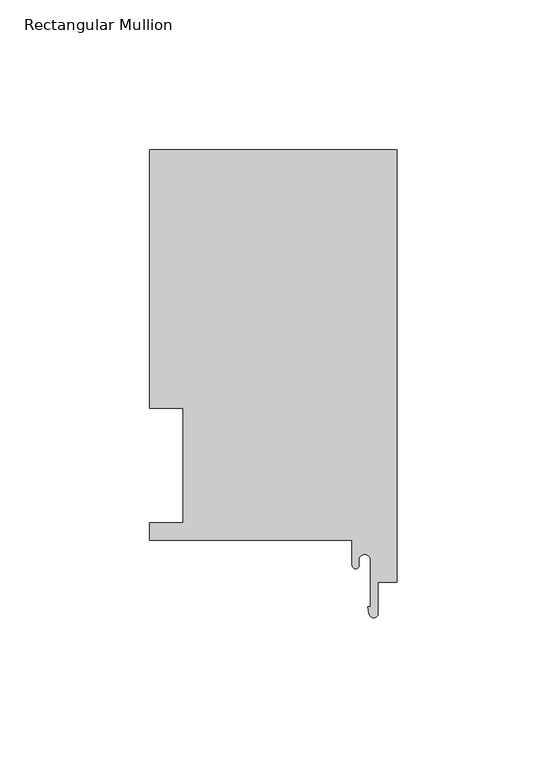
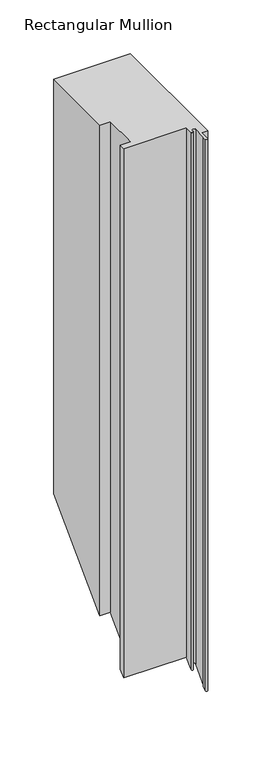
"""IFC4 building model written with IfcOpenShell, lengths in millimetres: member geometry, Rectangular Mullion."""

from ifc_helpers import new_model, si_unit, frame, origin, place, context, project, spatial, polyline, circle_curve, ellipse_curve, source, transform, mapped, element, save
from ifc_brep_helpers import plane_surface, cylinder_surface, revolved_surface, advanced_brep


def rectangular_mullion_ddf6fd87(model_context):
    return source(origin(), model_context, "Body", "AdvancedBrep", [
        advanced_brep(
        [(-82.55, 130.6322, 0.0), (-82.55, 44.45, 0.0), (-71.4450019, 44.45, 0.0), (-71.4450019, 6.35, 0.0), (-82.55, 6.35, 0.0), (-82.55, 0.4064, 0.0), (-14.986, 0.4064, 0.0), (-14.986, -7.9405445, 0.0), (-12.7, -7.9405445, 0.0), (-12.7, -6.1214, 0.0), (-8.89, -6.1214, 0.0), (-8.89, -21.7079145, 0.0), (-9.6940977, -21.7079145, 0.0), (-9.338383, -24.1171734, 0.0), (-6.35, -23.8977531, 0.0), (-6.35, -13.5385716, 0.0), (0.0, -13.5385716, 0.0), (0.0, 130.6322, 0.0), (-82.55, 130.6322, -471.655325), (-82.55, 44.45, -557.8375251), (-71.4450019, 44.45, -557.8375251), (-71.4450019, 6.35, -595.9375251), (-82.55, 6.35, -595.9375251), (-82.55, 0.4064, -601.881125), (-14.986, 0.4064, -601.881125), (-14.986, -7.9405445, -610.2280695), (-12.7, -7.9405445, -610.2280695), (-12.7, -6.1214, -608.408925), (-8.89, -6.1214, -608.408925), (-8.89, -21.7079145, -623.9954395), (-9.6940977, -21.7079145, -623.9954395), (-9.338383, -24.1171734, -626.4046985), (-6.35, -23.8977531, -626.1852781), (-6.35, -13.5385716, -615.8260967), (0.0, -13.5385716, -615.8260967), (0.0, 130.6322, -471.655325)],
        [
            (0, 1),
            (1, 2),
            (2, 3),
            (3, 4),
            (4, 5),
            (5, 6),
            (6, 7),
            (7, 8, circle_curve(frame((-13.843, -7.9405445, 0.0), z_axis=(0.0, 0.0, 1.0), x_axis=(0.0, 1.0, 0.0)), 1.143)),
            (8, 9),
            (9, 10, circle_curve(frame((-10.795, -6.1214, 0.0), z_axis=(0.0, 0.0, -1.0), x_axis=(0.0, 1.0, 0.0)), 1.905)),
            (10, 11),
            (11, 12),
            (12, 13),
            (13, 14, circle_curve(frame((-7.8522469, -23.8977531, 0.0), z_axis=(0.0, 0.0, 1.0), x_axis=(0.0, 1.0, 0.0)), 1.5022469)),
            (14, 15),
            (15, 16),
            (16, 17),
            (17, 0),
            (0, 18),
            (18, 19),
            (19, 1),
            (19, 20),
            (20, 2),
            (20, 21),
            (21, 3),
            (21, 22),
            (22, 4),
            (22, 23),
            (23, 5),
            (23, 24),
            (24, 6),
            (24, 25),
            (25, 7),
            (25, 26, ellipse_curve(frame((-13.843, -7.9405445, -610.2280695), z_axis=(0.0, -0.7071067811865471, 0.707106781186548), x_axis=(0.0, 0.707106781186548, 0.707106781186547)), 1.6164461, 1.143)),
            (26, 8),
            (26, 27),
            (27, 9),
            (27, 28, ellipse_curve(frame((-10.795, -6.1214, -608.408925), z_axis=(0.0, 0.7071067811865471, -0.707106781186548), x_axis=(0.0, -0.707106781186548, -0.707106781186547)), 2.6940768, 1.905)),
            (28, 10),
            (28, 29),
            (29, 11),
            (29, 30),
            (30, 12),
            (30, 31),
            (31, 13),
            (31, 32, ellipse_curve(frame((-7.8522469, -23.8977531, -626.1852781), z_axis=(0.0, -0.7071067811865471, 0.707106781186548), x_axis=(0.0, 0.707106781186548, 0.707106781186547)), 2.1244979, 1.5022469)),
            (32, 14),
            (32, 33),
            (33, 15),
            (33, 34),
            (34, 16),
            (34, 35),
            (35, 17),
            (35, 18),
        ],
        [
            plane_surface(frame((0.0, -154.5292017, 0.0), z_axis=(0.0, 0.0, 1.0), x_axis=(-1.0, 0.0, 0.0))),
            plane_surface(frame((-82.55, 130.6322, 0.0), z_axis=(-1.0, 0.0, 0.0), x_axis=(0.0, 0.0, -1.0))),
            plane_surface(frame((-82.55, 44.45, 0.0), z_axis=(0.0, -1.0, 0.0), x_axis=(0.0, 0.0, -1.0))),
            plane_surface(frame((-71.4450019, 44.45, 0.0), z_axis=(-1.0, 0.0, 0.0), x_axis=(0.0, 0.0, -1.0))),
            plane_surface(frame((-71.4450019, 6.35, 0.0), z_axis=(0.0, 1.0, 0.0), x_axis=(0.0, 0.0, -1.0))),
            plane_surface(frame((-82.55, 6.35, 0.0), z_axis=(-1.0, 0.0, 0.0), x_axis=(0.0, 0.0, -1.0))),
            plane_surface(frame((-82.55, 0.4064, 0.0), z_axis=(0.0, -1.0, 0.0), x_axis=(0.0, 0.0, -1.0))),
            plane_surface(frame((-14.986, 0.4064, 0.0), z_axis=(-1.0, 0.0, 0.0), x_axis=(0.0, 0.0, -1.0))),
            cylinder_surface(frame((-13.843, -7.9405445, 0.0), z_axis=(0.0, 0.0, 1.0), x_axis=(0.0, 1.0, 0.0)), 1.143),
            plane_surface(frame((-12.7, -7.9405445, 0.0), z_axis=(1.0, 0.0, 0.0), x_axis=(0.0, 0.0, -1.0))),
            revolved_surface(polyline([(-10.795, -4.2164, -610.3139249743173), (-10.795, -4.2164, 0.0)]), (-10.795, -6.1214, 0.0), (0.0, 0.0, -1.0)),
            plane_surface(frame((-8.89, -6.1214, 0.0), z_axis=(-1.0, 0.0, 0.0), x_axis=(0.0, 0.0, -1.0))),
            plane_surface(frame((-8.89, -21.7079145, 0.0), z_axis=(0.0, 1.0, 0.0), x_axis=(0.0, 0.0, -1.0))),
            plane_surface(frame((-9.6940977, -21.7079145, 0.0), z_axis=(-0.9892755186217809, -0.14606145369537674, 0.0), x_axis=(0.0, 0.0, -1.0))),
            cylinder_surface(frame((-7.8522469, -23.8977531, 0.0), z_axis=(0.0, 0.0, 1.0), x_axis=(0.0, 1.0, 0.0)), 1.5022469),
            plane_surface(frame((-6.35, -23.8977531, 0.0), z_axis=(1.0, 0.0, 0.0), x_axis=(0.0, 0.0, -1.0))),
            plane_surface(frame((-6.35, -13.5385716, 0.0), z_axis=(0.0, -1.0, 0.0), x_axis=(0.0, 0.0, -1.0))),
            plane_surface(frame((0.0, -13.5385716, 0.0), z_axis=(1.0, 0.0, 0.0), x_axis=(0.0, 0.0, -1.0))),
            plane_surface(frame((0.0, 130.6322, 0.0), z_axis=(0.0, 1.0, 0.0), x_axis=(0.0, 0.0, -1.0))),
            plane_surface(frame((-304.8, 0.0, -602.2875251), z_axis=(0.0, 0.7071067811865471, -0.707106781186548), x_axis=(0.0, 0.707106781186548, 0.7071067811865471))),
        ],
        [
            (0, [[1, 2, 3, 4, 5, 6, 7, 8, 9, 10, 11, 12, 13, 14, 15, 16, 17, 18]]),
            (1, [[-1, 19, 20, 21]]),
            (2, [[-2, -21, 22, 23]]),
            (3, [[-3, -23, 24, 25]]),
            (4, [[-4, -25, 26, 27]]),
            (5, [[-5, -27, 28, 29]]),
            (6, [[-6, -29, 30, 31]]),
            (7, [[-7, -31, 32, 33]]),
            (8, [[-8, -33, 34, 35]]),
            (9, [[-9, -35, 36, 37]]),
            (10, [[-10, -37, 38, 39]]),
            (11, [[-11, -39, 40, 41]]),
            (12, [[-12, -41, 42, 43]]),
            (13, [[-13, -43, 44, 45]]),
            (14, [[-14, -45, 46, 47]]),
            (15, [[-15, -47, 48, 49]]),
            (16, [[-16, -49, 50, 51]]),
            (17, [[-17, -51, 52, 53]]),
            (18, [[-18, -53, 54, -19]]),
            (19, [[-54, -52, -50, -48, -46, -44, -42, -40, -38, -36, -34, -32, -30, -28, -26, -24, -22, -20]]),
        ],
    ),
    ])


if __name__ == "__main__":
    model = new_model("IFC4")
    model_context = context("Model", 3, world=origin())
    ifc_project = project(units=[si_unit("LENGTHUNIT", "METRE", prefix="MILLI")], contexts=[model_context])
    site = spatial("IfcSite", under=ifc_project)
    building = spatial("IfcBuilding", under=site)
    placement = place(None, origin())
    rectangular_mullion_shape = rectangular_mullion_ddf6fd87(model_context)
    element("IfcMember", 1, ObjectType="Rectangular Mullion", at=placement, inside=building, context=model_context, shape_type="MappedRepresentation", body=[
        mapped(rectangular_mullion_shape, transform((0.0, 0.0, 0.0), x_axis=(1.0, 0.0, 0.0), y_axis=(0.0, 1.0, 0.0), z_axis=(0.0, 0.0, 1.0))),
    ])
    save(model, "model.ifc")
